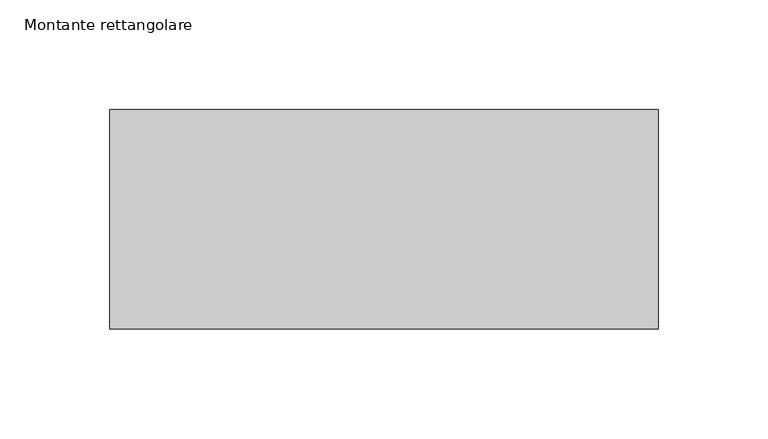
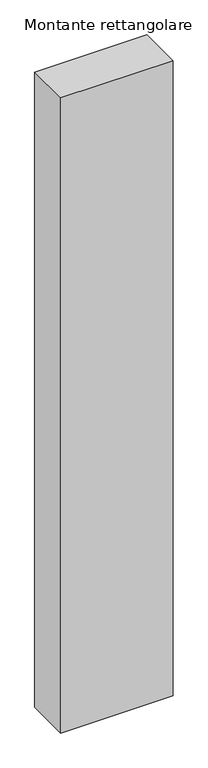
"""IFC4 building model written with IfcOpenShell, lengths in millimetres: member geometry, Montante rettangolare."""

from ifc_helpers import new_model, si_unit, frame, origin, place, context, project, spatial, polyline, outline, extrude, source, transform, mapped, element, save


def montante_rettangolare_1aa5fe03(model_context):
    return source(origin(), model_context, "Body", "SweptSolid", [
        extrude(outline(polyline([(0.0, 50.0), (0.0, -50.0), (-250.0, -50.0), (-250.0, 50.0), (0.0, 50.0)])), frame((0.0, 0.0, -1494.5764037), z_axis=(0.0, 0.0, 1.0), x_axis=(1.0, 0.0, 0.0)), (0.0, 0.0, 1.0), 1494.5764037),
    ])


if __name__ == "__main__":
    model = new_model("IFC4")
    model_context = context("Model", 3, world=origin())
    ifc_project = project(units=[si_unit("LENGTHUNIT", "METRE", prefix="MILLI")], contexts=[model_context])
    site = spatial("IfcSite", under=ifc_project)
    building = spatial("IfcBuilding", under=site)
    placement = place(None, origin())
    montante_rettangolare_shape = montante_rettangolare_1aa5fe03(model_context)
    element("IfcMember", 1, ObjectType="Montante rettangolare", at=placement, inside=building, context=model_context, shape_type="MappedRepresentation", body=[
        mapped(montante_rettangolare_shape, transform((0.0, 0.0, 0.0), x_axis=(1.0, 0.0, 0.0), y_axis=(0.0, 1.0, 0.0), z_axis=(0.0, 0.0, 1.0))),
    ])
    save(model, "model.ifc")
